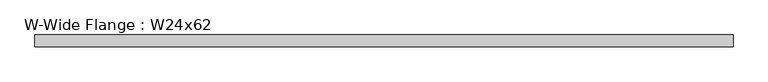
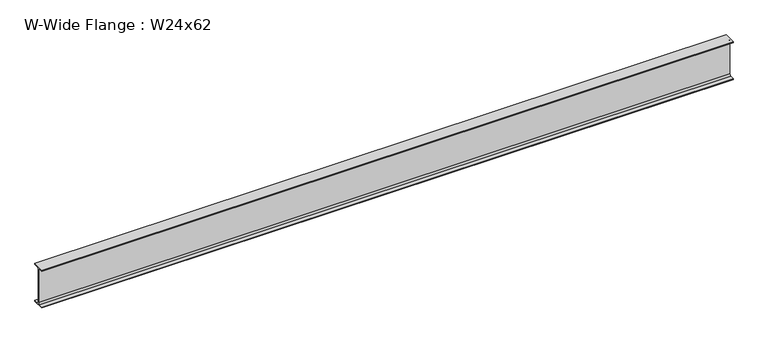
"""IFC4 building model written with IfcOpenShell, lengths in millimetres: beam geometry, W-Wide Flange : W24x62."""

from ifc_helpers import new_model, si_unit, point, frame, frame_2d, origin, place, context, project, spatial, polyline, circle_curve, trimmed, segment, composite_curve, outline, extrude, source, transform, mapped, element, save


def w_wide_flange_w24x62_e94a2e50(model_context):
    return source(origin(), model_context, "Body", "SweptSolid", [
        extrude(outline(composite_curve([segment(polyline([(89.408, -286.004), (89.408, -300.99), (-89.408, -300.99), (-89.408, -286.004), (-28.575, -286.004)]), True, "CONTINUOUS"), segment(trimmed(circle_curve(frame_2d((-28.575, -262.89)), 23.114), [point((-28.575, -286.004))], [point((-5.461, -262.89))], True, "CARTESIAN"), True, "CONTINUOUS"), segment(polyline([(-5.461, -262.89), (-5.461, 262.89)]), True, "CONTINUOUS"), segment(trimmed(circle_curve(frame_2d((-28.575, 262.89)), 23.114), [point((-5.461, 262.89))], [point((-28.575, 286.004))], True, "CARTESIAN"), True, "CONTINUOUS"), segment(polyline([(-28.575, 286.004), (-89.408, 286.004), (-89.408, 300.99), (89.408, 300.99), (89.408, 286.004), (28.575, 286.004)]), True, "CONTINUOUS"), segment(trimmed(circle_curve(frame_2d((28.575, 262.89)), 23.114), [point((28.575, 286.004))], [point((5.461, 262.89))], True, "CARTESIAN"), True, "CONTINUOUS"), segment(polyline([(5.461, 262.89), (5.461, -262.89)]), True, "CONTINUOUS"), segment(trimmed(circle_curve(frame_2d((28.575, -262.89)), 23.114), [point((5.461, -262.89))], [point((28.575, -286.004))], True, "CARTESIAN"), True, "CONTINUOUS"), segment(polyline([(28.575, -286.004), (89.408, -286.004)]), True, "CONTINUOUS")], self_intersect=False)), frame((-5175.632193, 0.0, 0.0), z_axis=(1.0, 0.0, 0.0), x_axis=(0.0, 1.0, 0.0)), (0.0, 0.0, 1.0), 10415.8045342),
    ])


if __name__ == "__main__":
    model = new_model("IFC4")
    model_context = context("Model", 3, world=origin())
    ifc_project = project(units=[si_unit("LENGTHUNIT", "METRE", prefix="MILLI")], contexts=[model_context])
    site = spatial("IfcSite", under=ifc_project)
    building = spatial("IfcBuilding", under=site)
    placement = place(None, origin())
    w_wide_flange_w24x62_shape = w_wide_flange_w24x62_e94a2e50(model_context)
    element("IfcBeam", 1, ObjectType="W-Wide Flange : W24x62", at=placement, inside=building, context=model_context, shape_type="MappedRepresentation", body=[
        mapped(w_wide_flange_w24x62_shape, transform((0.0, 0.0, 0.0), x_axis=(1.0, 0.0, 0.0), y_axis=(0.0, 1.0, 0.0), z_axis=(0.0, 0.0, 1.0))),
    ])
    save(model, "model.ifc")
